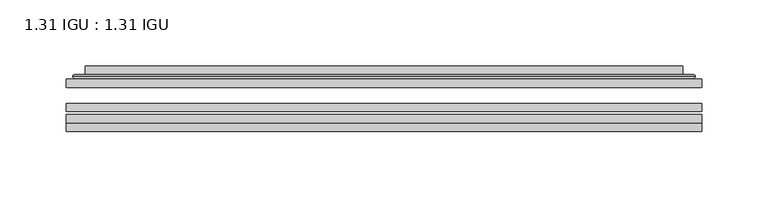
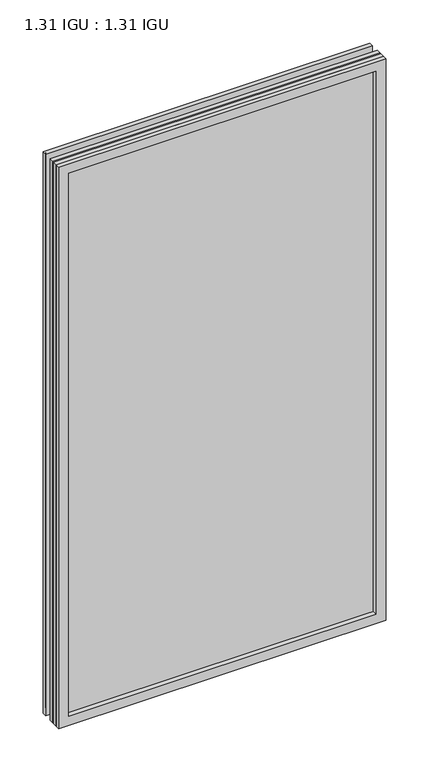
"""IFC4 building model written with IfcOpenShell, lengths in millimetres: plate geometry, 1.31 IGU : 1.31 IGU."""

from ifc_helpers import new_model, si_unit, frame, origin, place, context, project, spatial, polyline, ellipse_curve, outline, extrude, faceted_brep, source, transform, mapped, element, save
from ifc_brep_helpers import plane_surface, cylinder_surface, advanced_brep


def plate_1_31_igu_1_31_igu_e5f6dd96(model_context):
    return source(origin(), model_context, "Body", "SolidModel", [
        extrude(outline(polyline([(239.726675, -63.2975937), (239.726675, -69.6475938), (-239.7125, -69.6475938), (-239.7125, -63.2975937), (239.726675, -63.2975937)])), frame((0.0, 0.0, -14.2875), z_axis=(0.0, 0.0, 1.0), x_axis=(1.0, 0.0, 0.0)), (0.0, 0.0, 1.0), 869.9537979),
        extrude(outline(polyline([(-239.7125, -78.2835938), (-239.7125, -71.9330887), (239.726675, -71.9330887), (239.726675, -78.2835938), (-239.7125, -78.2835938)])), frame((0.0, 0.0, -14.2875), z_axis=(0.0, 0.0, 1.0), x_axis=(1.0, 0.0, 0.0)), (0.0, 0.0, 1.0), 869.9537979),
        extrude(outline(polyline([(239.726675, -44.9587937), (239.726675, -51.3087938), (-239.7125, -51.3087938), (-239.7125, -44.9587937), (239.726675, -44.9587937)])), frame((0.0, 0.0, -14.2875), z_axis=(0.0, 0.0, 1.0), x_axis=(1.0, 0.0, 0.0)), (0.0, 0.0, 1.0), 869.9537979),
        faceted_brep([(-239.7252, -84.6335937, 855.6752), (-239.7252, -78.2835937, 855.6752), (-239.7252, -78.2835937, -14.3002), (-239.7252, -84.6335937, -14.3002), (239.7252, -78.2835937, -14.3002), (239.7252, -84.6335937, -14.3002), (239.7252, -78.2835937, 855.6752), (239.7252, -84.6335937, 855.6752), (-224.5272559, -78.2835937, 0.8977441), (224.5272559, -78.2835937, 0.8977441), (224.5272559, -78.2835937, 840.4772559), (-224.5272559, -78.2835937, 840.4772559), (-225.4196902, -84.6335937, 841.3696902), (225.4196902, -84.6335937, 841.3696902), (225.4196902, -84.6335937, 0.0053098), (-225.4196902, -84.6335937, 0.0053098)], [[[0, 1, 2, 3]], [[3, 2, 4, 5]], [[5, 4, 6, 7]], [[1, 6, 4, 2], [8, 9, 10, 11]], [[7, 6, 1, 0]], [[3, 5, 7, 0], [12, 13, 14, 15]], [[11, 12, 15, 8]], [[8, 15, 14, 9]], [[9, 14, 13, 10]], [[10, 13, 12, 11]]]),
        advanced_brep(
        [(-232.471219, -44.9587937, 848.421219), (-234.8254244, -42.9691271, 850.7754244), (-234.8254244, -42.9691271, -9.4004244), (-232.471219, -44.9587937, -7.046219), (-223.3968939, -41.1187568, 839.3468939), (-218.4620621, -44.9587937, 834.4120621), (-218.4620621, -44.9587937, 6.9629379), (-223.3968939, -41.1187568, 2.0281061), (-224.4289217, -35.7215256, 840.3789217), (-224.4289217, -35.7215256, 0.9960783), (-225.4195784, -35.3225507, 841.3695784), (-225.4195784, -35.3225507, 0.0054216), (-225.4195784, -41.7837937, 841.3695784), (-225.4195784, -41.7837937, 0.0054216), (-233.8236349, -41.7837937, 849.7736349), (-233.8236349, -41.7837937, -8.3986349), (234.8254244, -42.9691271, -9.4004244), (232.471219, -44.9587937, -7.046219), (218.4620621, -44.9587937, 6.9629379), (223.3968939, -41.1187568, 2.0281061), (224.4289217, -35.7215256, 0.9960783), (225.4195784, -35.3225507, 0.0054216), (225.4195784, -41.7837937, 0.0054216), (233.8236349, -41.7837937, -8.3986349), (234.8254244, -42.9691271, 850.7754244), (232.471219, -44.9587937, 848.421219), (218.4620621, -44.9587937, 834.4120621), (223.3968939, -41.1187568, 839.3468939), (224.4289217, -35.7215256, 840.3789217), (225.4195784, -35.3225507, 841.3695784), (225.4195784, -41.7837937, 841.3695784), (233.8236349, -41.7837937, 849.7736349)],
        [
            (0, 1, ellipse_curve(frame((-232.471219, -42.5711937, 848.421219), z_axis=(-0.7071067811865475, 0.0, -0.7071067811865475), x_axis=(-0.7071067811865474, 0.0, 0.7071067811865476)), 3.3765763, 2.3876)),
            (1, 2),
            (2, 3, ellipse_curve(frame((-232.471219, -42.5711937, -7.046219), z_axis=(-0.7071067811865475, 0.0, 0.7071067811865475), x_axis=(0.7071067811865474, 0.0, 0.7071067811865476)), 3.3765763, 2.3876)),
            (3, 0),
            (4, 5),
            (5, 6),
            (6, 7),
            (7, 4),
            (8, 4),
            (7, 9),
            (9, 8),
            (10, 8, ellipse_curve(frame((-225.0526219, -35.840786, 841.0026219), z_axis=(-0.7071067811865475, 0.0, -0.7071067811865475), x_axis=(-0.7071067811865474, 0.0, 0.7071067811865476)), 0.8980256, 0.635)),
            (9, 11, ellipse_curve(frame((-225.0526219, -35.840786, 0.3723781), z_axis=(-0.7071067811865475, 0.0, 0.7071067811865475), x_axis=(0.7071067811865474, 0.0, 0.7071067811865476)), 0.8980256, 0.635)),
            (11, 10),
            (12, 10),
            (11, 13),
            (13, 12),
            (1, 14, ellipse_curve(frame((-233.8236349, -42.7997937, 849.7736349), z_axis=(-0.7071067811865475, 0.0, -0.7071067811865475), x_axis=(-0.7071067811865474, 0.0, 0.7071067811865476)), 1.436841, 1.016)),
            (14, 15),
            (15, 2, ellipse_curve(frame((-233.8236349, -42.7997937, -8.3986349), z_axis=(-0.7071067811865475, 0.0, 0.7071067811865475), x_axis=(0.7071067811865474, 0.0, 0.7071067811865476)), 1.436841, 1.016)),
            (2, 16),
            (16, 17, ellipse_curve(frame((232.471219, -42.5711937, -7.046219), z_axis=(-0.7071067811865475, 0.0, -0.7071067811865475), x_axis=(-0.7071067811865476, 0.0, 0.7071067811865474)), 3.3765763, 2.3876)),
            (17, 3),
            (6, 18),
            (18, 19),
            (19, 7),
            (19, 20),
            (20, 9),
            (20, 21, ellipse_curve(frame((225.0526219, -35.840786, 0.3723781), z_axis=(-0.7071067811865475, 0.0, -0.7071067811865475), x_axis=(-0.7071067811865476, 0.0, 0.7071067811865474)), 0.8980256, 0.635)),
            (21, 11),
            (21, 22),
            (22, 13),
            (15, 23),
            (23, 16, ellipse_curve(frame((233.8236349, -42.7997937, -8.3986349), z_axis=(-0.7071067811865475, 0.0, -0.7071067811865475), x_axis=(-0.7071067811865476, 0.0, 0.7071067811865474)), 1.436841, 1.016)),
            (16, 24),
            (24, 25, ellipse_curve(frame((232.471219, -42.5711937, 848.421219), z_axis=(0.7071067811865475, 0.0, -0.7071067811865475), x_axis=(-0.7071067811865474, 0.0, -0.7071067811865476)), 3.3765763, 2.3876)),
            (25, 17),
            (18, 26),
            (26, 27),
            (27, 19),
            (27, 28),
            (28, 20),
            (28, 29, ellipse_curve(frame((225.0526219, -35.840786, 841.0026219), z_axis=(0.7071067811865475, 0.0, -0.7071067811865475), x_axis=(-0.7071067811865474, 0.0, -0.7071067811865476)), 0.8980256, 0.635)),
            (29, 21),
            (29, 30),
            (30, 22),
            (23, 31),
            (31, 24, ellipse_curve(frame((233.8236349, -42.7997937, 849.7736349), z_axis=(0.7071067811865475, 0.0, -0.7071067811865475), x_axis=(-0.7071067811865474, 0.0, -0.7071067811865476)), 1.436841, 1.016)),
            (24, 1),
            (0, 25),
            (5, 26),
            (4, 27),
            (8, 28),
            (10, 29),
            (12, 30),
            (14, 31),
        ],
        [
            cylinder_surface(frame((-232.471219, -42.5711937, 873.125), z_axis=(0.0, 0.0, 1.0), x_axis=(-1.0, 0.0, 0.0)), 2.3876),
            plane_surface(frame((-218.4620621, -44.9587937, 834.4120621), z_axis=(0.6141233906514794, 0.7892100234124821, 0.0), x_axis=(0.0, 0.0, -1.0))),
            plane_surface(frame((-223.3968939, -41.1187568, 839.3468939), z_axis=(0.9822050625507729, 0.18781164793386076, 0.0), x_axis=(0.0, 0.0, -1.0))),
            cylinder_surface(frame((-225.0526219, -35.840786, 873.125), z_axis=(0.0, 0.0, 1.0), x_axis=(-1.0, 0.0, 0.0)), 0.635),
            plane_surface(frame((-225.4195784, -35.3225507, 841.3695784), z_axis=(-1.0, 0.0, 0.0), x_axis=(0.0, 0.0, -1.0))),
            cylinder_surface(frame((-233.8236349, -42.7997937, 873.125), z_axis=(0.0, 0.0, 1.0), x_axis=(-1.0, 0.0, 0.0)), 1.016),
            cylinder_surface(frame((-257.175, -42.5711937, -7.046219), z_axis=(-1.0, 0.0, 0.0), x_axis=(0.0, 0.0, -1.0)), 2.3876),
            plane_surface(frame((-218.4620621, -44.9587937, 6.9629379), z_axis=(0.0, 0.7892100234124841, 0.6141233906514768), x_axis=(1.0, 0.0, 0.0))),
            plane_surface(frame((-223.3968939, -41.1187568, 2.0281061), z_axis=(0.0, 0.18781164793386393, 0.9822050625507723), x_axis=(1.0, 0.0, 0.0))),
            cylinder_surface(frame((-257.175, -35.840786, 0.3723781), z_axis=(-1.0, 0.0, 0.0), x_axis=(0.0, 0.0, -1.0)), 0.635),
            plane_surface(frame((-225.4195784, -35.3225507, 0.0054216), z_axis=(0.0, 0.0, -1.0), x_axis=(1.0, 0.0, 0.0))),
            cylinder_surface(frame((-257.175, -42.7997937, -8.3986349), z_axis=(-1.0, 0.0, 0.0), x_axis=(0.0, 0.0, -1.0)), 1.016),
            cylinder_surface(frame((232.471219, -42.5711937, -31.75), z_axis=(0.0, 0.0, -1.0), x_axis=(1.0, 0.0, 0.0)), 2.3876),
            plane_surface(frame((218.4620621, -44.9587937, 6.9629379), z_axis=(-0.6141233906514743, 0.7892100234124861, 0.0), x_axis=(0.0, 0.0, 1.0))),
            plane_surface(frame((223.3968939, -41.1187568, 2.0281061), z_axis=(-0.9822050625507718, 0.1878116479338671, 0.0), x_axis=(0.0, 0.0, 1.0))),
            cylinder_surface(frame((225.0526219, -35.840786, -31.75), z_axis=(0.0, 0.0, -1.0), x_axis=(1.0, 0.0, 0.0)), 0.635),
            plane_surface(frame((225.4195784, -35.3225507, 0.0054216), z_axis=(1.0, 0.0, 0.0), x_axis=(0.0, 0.0, 1.0))),
            cylinder_surface(frame((233.8236349, -42.7997937, -31.75), z_axis=(0.0, 0.0, -1.0), x_axis=(1.0, 0.0, 0.0)), 1.016),
            cylinder_surface(frame((257.175, -42.5711937, 848.421219), z_axis=(1.0, 0.0, 0.0), x_axis=(0.0, 0.0, 1.0)), 2.3876),
            plane_surface(frame((232.471219, -44.9587937, 848.421219), z_axis=(0.0, -1.0, 0.0), x_axis=(-1.0, 0.0, 0.0))),
            plane_surface(frame((218.4620621, -44.9587937, 834.4120621), z_axis=(0.0, 0.7892100234124841, -0.6141233906514768), x_axis=(-1.0, 0.0, 0.0))),
            plane_surface(frame((223.3968939, -41.1187568, 839.3468939), z_axis=(0.0, 0.18781164793386393, -0.9822050625507723), x_axis=(-1.0, 0.0, 0.0))),
            cylinder_surface(frame((257.175, -35.840786, 841.0026219), z_axis=(1.0, 0.0, 0.0), x_axis=(0.0, 0.0, 1.0)), 0.635),
            plane_surface(frame((225.4195784, -35.3225507, 841.3695784), z_axis=(0.0, 0.0, 1.0), x_axis=(-1.0, 0.0, 0.0))),
            plane_surface(frame((225.4195784, -41.7837937, 841.3695784), z_axis=(0.0, 1.0, 0.0), x_axis=(-1.0, 0.0, 0.0))),
            cylinder_surface(frame((257.175, -42.7997937, 849.7736349), z_axis=(1.0, 0.0, 0.0), x_axis=(0.0, 0.0, 1.0)), 1.016),
        ],
        [
            (0, [[1, 2, 3, 4]]),
            (1, [[5, 6, 7, 8]]),
            (2, [[9, -8, 10, 11]]),
            (3, [[12, -11, 13, 14]]),
            (4, [[15, -14, 16, 17]]),
            (5, [[18, 19, 20, -2]]),
            (6, [[-3, 21, 22, 23]]),
            (7, [[-7, 24, 25, 26]]),
            (8, [[-10, -26, 27, 28]]),
            (9, [[-13, -28, 29, 30]]),
            (10, [[-16, -30, 31, 32]]),
            (11, [[-20, 33, 34, -21]]),
            (12, [[-22, 35, 36, 37]]),
            (13, [[-25, 38, 39, 40]]),
            (14, [[-27, -40, 41, 42]]),
            (15, [[-29, -42, 43, 44]]),
            (16, [[-31, -44, 45, 46]]),
            (17, [[-34, 47, 48, -35]]),
            (18, [[-36, 49, -1, 50]]),
            (19, [[-23, -37, -50, -4], [51, -38, -24, -6]]),
            (20, [[-39, -51, -5, 52]]),
            (21, [[-41, -52, -9, 53]]),
            (22, [[-43, -53, -12, 54]]),
            (23, [[-45, -54, -15, 55]]),
            (24, [[56, -47, -33, -19], [-32, -46, -55, -17]]),
            (25, [[-48, -56, -18, -49]]),
        ],
    ),
    ])


if __name__ == "__main__":
    model = new_model("IFC4")
    model_context = context("Model", 3, world=origin())
    ifc_project = project(units=[si_unit("LENGTHUNIT", "METRE", prefix="MILLI")], contexts=[model_context])
    site = spatial("IfcSite", under=ifc_project)
    building = spatial("IfcBuilding", under=site)
    placement = place(None, origin())
    plate_1_31_igu_1_31_igu_shape = plate_1_31_igu_1_31_igu_e5f6dd96(model_context)
    element("IfcPlate", 1, ObjectType="1.31 IGU : 1.31 IGU", at=placement, inside=building, context=model_context, shape_type="MappedRepresentation", body=[
        mapped(plate_1_31_igu_1_31_igu_shape, transform((0.0, 0.0, 0.0), x_axis=(1.0, 0.0, 0.0), y_axis=(0.0, 1.0, 0.0), z_axis=(0.0, 0.0, 1.0))),
    ])
    save(model, "model.ifc")
